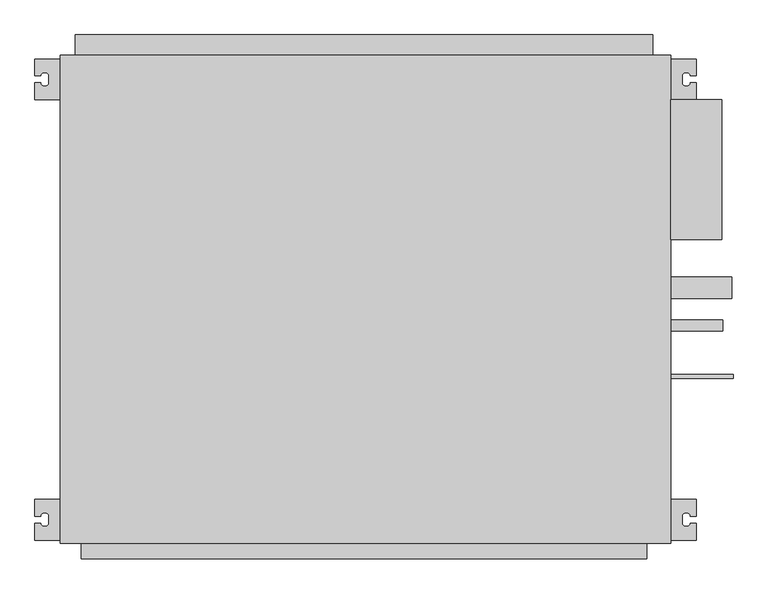
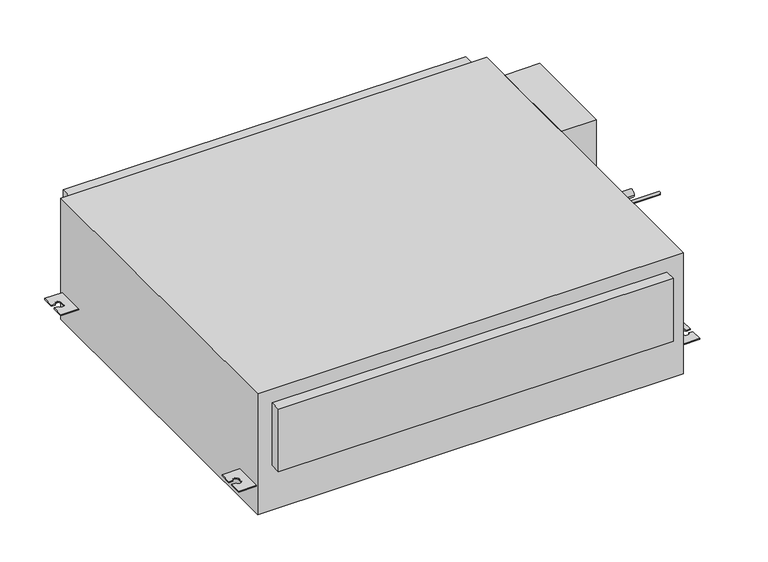
"""IFC4 building model written with IfcOpenShell, lengths in millimetres: proxy geometry."""

from ifc_helpers import new_model, si_unit, point, frame, frame_2d, origin, origin_with_axes, place, context, project, spatial, polyline, circle_curve, trimmed, segment, composite_curve, outline, extrude, source, transform, mapped, element, save


def mechanical_equipment_3e8ae938(model_context):
    return source(origin(), model_context, "Body", "SweptSolid", [
        extrude(outline(polyline([(450.0, -65.5), (525.0, -65.5), (525.0, -272.3), (450.0, -272.3), (450.0, -65.5)])), origin_with_axes(), (0.0, 0.0, 1.0), 270.0),
        extrude(outline(composite_curve([segment(trimmed(circle_curve(frame_2d((-343.0, 22.0)), 16.0), [point((-359.0, 22.0))], [point((-327.0, 22.0))], False, "CARTESIAN"), True, "CONTINUOUS"), segment(trimmed(circle_curve(frame_2d((-343.0, 22.0)), 16.0), [point((-327.0, 22.0))], [point((-359.0, 22.0))], False, "CARTESIAN"), True, "CONTINUOUS")], self_intersect=False)), frame((450.0, 0.0, 0.0), z_axis=(1.0, 0.0, 0.0), x_axis=(0.0, 1.0, 0.0)), (0.0, 0.0, 1.0), 90.0),
        extrude(outline(composite_curve([segment(trimmed(circle_curve(frame_2d((-399.0, 182.0)), 7.94), [point((-406.94, 182.0))], [point((-391.06, 182.0))], False, "CARTESIAN"), True, "CONTINUOUS"), segment(trimmed(circle_curve(frame_2d((-399.0, 182.0)), 7.94), [point((-391.06, 182.0))], [point((-406.94, 182.0))], False, "CARTESIAN"), True, "CONTINUOUS")], self_intersect=False)), frame((450.0, 0.0, 0.0), z_axis=(1.0, 0.0, 0.0), x_axis=(0.0, 1.0, 0.0)), (0.0, 0.0, 1.0), 77.0),
        extrude(outline(composite_curve([segment(trimmed(circle_curve(frame_2d((-474.0, 222.0)), 3.175), [point((-477.175, 222.0))], [point((-470.825, 222.0))], False, "CARTESIAN"), True, "CONTINUOUS"), segment(trimmed(circle_curve(frame_2d((-474.0, 222.0)), 3.175), [point((-470.825, 222.0))], [point((-477.175, 222.0))], False, "CARTESIAN"), True, "CONTINUOUS")], self_intersect=False)), frame((450.0, 0.0, 0.0), z_axis=(1.0, 0.0, 0.0), x_axis=(0.0, 1.0, 0.0)), (0.0, 0.0, 1.0), 92.0),
        extrude(outline(composite_curve([segment(polyline([(-450.0, -5.5), (-450.0, -65.5), (-487.5, -65.5), (-487.5, -40.5), (-479.0, -40.5)]), True, "CONTINUOUS"), segment(trimmed(circle_curve(frame_2d((-474.0, -40.5)), 5.0), [point((-479.0, -40.5))], [point((-474.0, -45.5))], True, "CARTESIAN"), True, "CONTINUOUS"), segment(polyline([(-474.0, -45.5), (-472.0, -45.5)]), True, "CONTINUOUS"), segment(trimmed(circle_curve(frame_2d((-472.0, -40.5)), 5.0), [point((-472.0, -45.5))], [point((-467.0, -40.5))], True, "CARTESIAN"), True, "CONTINUOUS"), segment(polyline([(-467.0, -40.5), (-467.0, -30.5)]), True, "CONTINUOUS"), segment(trimmed(circle_curve(frame_2d((-472.0, -30.5)), 5.0), [point((-467.0, -30.5))], [point((-472.0, -25.5))], True, "CARTESIAN"), True, "CONTINUOUS"), segment(polyline([(-472.0, -25.5), (-474.0, -25.5)]), True, "CONTINUOUS"), segment(trimmed(circle_curve(frame_2d((-474.0, -30.5)), 5.0), [point((-474.0, -25.5))], [point((-479.0, -30.5))], True, "CARTESIAN"), True, "CONTINUOUS"), segment(polyline([(-479.0, -30.5), (-487.5, -30.5), (-487.5, -5.5), (-450.0, -5.5)]), True, "CONTINUOUS")], self_intersect=False)), frame((0.0, 0.0, 60.5), z_axis=(0.0, 0.0, 1.0), x_axis=(1.0, 0.0, 0.0)), (0.0, 0.0, 1.0), 2.5),
        extrude(outline(composite_curve([segment(polyline([(-450.0, -655.5), (-450.0, -715.5), (-487.5, -715.5), (-487.5, -690.5), (-479.0, -690.5)]), True, "CONTINUOUS"), segment(trimmed(circle_curve(frame_2d((-474.0, -690.5)), 5.0), [point((-479.0, -690.5))], [point((-474.0, -695.5))], True, "CARTESIAN"), True, "CONTINUOUS"), segment(polyline([(-474.0, -695.5), (-472.0, -695.5)]), True, "CONTINUOUS"), segment(trimmed(circle_curve(frame_2d((-472.0, -690.5)), 5.0), [point((-472.0, -695.5))], [point((-467.0, -690.5))], True, "CARTESIAN"), True, "CONTINUOUS"), segment(polyline([(-467.0, -690.5), (-467.0, -680.5)]), True, "CONTINUOUS"), segment(trimmed(circle_curve(frame_2d((-472.0, -680.5)), 5.0), [point((-467.0, -680.5))], [point((-472.0, -675.5))], True, "CARTESIAN"), True, "CONTINUOUS"), segment(polyline([(-472.0, -675.5), (-474.0, -675.5)]), True, "CONTINUOUS"), segment(trimmed(circle_curve(frame_2d((-474.0, -680.5)), 5.0), [point((-474.0, -675.5))], [point((-479.0, -680.5))], True, "CARTESIAN"), True, "CONTINUOUS"), segment(polyline([(-479.0, -680.5), (-487.5, -680.5), (-487.5, -655.5), (-450.0, -655.5)]), True, "CONTINUOUS")], self_intersect=False)), frame((0.0, 0.0, 60.5), z_axis=(0.0, 0.0, 1.0), x_axis=(1.0, 0.0, 0.0)), (0.0, 0.0, 1.0), 2.5),
        extrude(outline(composite_curve([segment(polyline([(450.0, -5.5), (487.5, -5.5), (487.5, -30.5), (479.0, -30.5)]), True, "CONTINUOUS"), segment(trimmed(circle_curve(frame_2d((474.0, -30.5)), 5.0), [point((479.0, -30.5))], [point((474.0, -25.5))], True, "CARTESIAN"), True, "CONTINUOUS"), segment(polyline([(474.0, -25.5), (472.0, -25.5)]), True, "CONTINUOUS"), segment(trimmed(circle_curve(frame_2d((472.0, -30.5)), 5.0), [point((472.0, -25.5))], [point((467.0, -30.5))], True, "CARTESIAN"), True, "CONTINUOUS"), segment(polyline([(467.0, -30.5), (467.0, -40.5)]), True, "CONTINUOUS"), segment(trimmed(circle_curve(frame_2d((472.0, -40.5)), 5.0), [point((467.0, -40.5))], [point((472.0, -45.5))], True, "CARTESIAN"), True, "CONTINUOUS"), segment(polyline([(472.0, -45.5), (474.0, -45.5)]), True, "CONTINUOUS"), segment(trimmed(circle_curve(frame_2d((474.0, -40.5)), 5.0), [point((474.0, -45.5))], [point((479.0, -40.5))], True, "CARTESIAN"), True, "CONTINUOUS"), segment(polyline([(479.0, -40.5), (487.5, -40.5), (487.5, -65.5), (450.0, -65.5), (450.0, -5.5)]), True, "CONTINUOUS")], self_intersect=False)), frame((0.0, 0.0, 60.5), z_axis=(0.0, 0.0, 1.0), x_axis=(1.0, 0.0, 0.0)), (0.0, 0.0, 1.0), 2.5),
        extrude(outline(composite_curve([segment(polyline([(450.0, -655.5), (487.5, -655.5), (487.5, -680.5), (479.0, -680.5)]), True, "CONTINUOUS"), segment(trimmed(circle_curve(frame_2d((474.0, -680.5)), 5.0), [point((479.0, -680.5))], [point((474.0, -675.5))], True, "CARTESIAN"), True, "CONTINUOUS"), segment(polyline([(474.0, -675.5), (472.0, -675.5)]), True, "CONTINUOUS"), segment(trimmed(circle_curve(frame_2d((472.0, -680.5)), 5.0), [point((472.0, -675.5))], [point((467.0, -680.5))], True, "CARTESIAN"), True, "CONTINUOUS"), segment(polyline([(467.0, -680.5), (467.0, -690.5)]), True, "CONTINUOUS"), segment(trimmed(circle_curve(frame_2d((472.0, -690.5)), 5.0), [point((467.0, -690.5))], [point((472.0, -695.5))], True, "CARTESIAN"), True, "CONTINUOUS"), segment(polyline([(472.0, -695.5), (474.0, -695.5)]), True, "CONTINUOUS"), segment(trimmed(circle_curve(frame_2d((474.0, -690.5)), 5.0), [point((474.0, -695.5))], [point((479.0, -690.5))], True, "CARTESIAN"), True, "CONTINUOUS"), segment(polyline([(479.0, -690.5), (487.5, -690.5), (487.5, -715.5), (450.0, -715.5), (450.0, -655.5)]), True, "CONTINUOUS")], self_intersect=False)), frame((0.0, 0.0, 60.5), z_axis=(0.0, 0.0, 1.0), x_axis=(1.0, 0.0, 0.0)), (0.0, 0.0, 1.0), 2.5),
        extrude(outline(polyline([(423.2, 30.0), (423.2, 0.0), (-427.8, 0.0), (-427.8, 30.0), (423.2, 30.0)])), frame((0.0, 0.0, 22.8), z_axis=(0.0, 0.0, 1.0), x_axis=(1.0, 0.0, 0.0)), (0.0, 0.0, 1.0), 240.2),
        extrude(outline(polyline([(415.0, -720.0), (415.0, -743.0), (-419.0, -743.0), (-419.0, -720.0), (415.0, -720.0)])), frame((0.0, 0.0, 99.0), z_axis=(0.0, 0.0, 1.0), x_axis=(1.0, 0.0, 0.0)), (0.0, 0.0, 1.0), 140.0),
        extrude(outline(polyline([(450.0, -720.0), (-450.0, -720.0), (-450.0, 0.0), (450.0, 0.0), (450.0, -720.0)])), origin_with_axes(), (0.0, 0.0, 1.0), 270.0),
    ])


if __name__ == "__main__":
    model = new_model("IFC4")
    model_context = context("Model", 3, world=origin())
    ifc_project = project(units=[si_unit("LENGTHUNIT", "METRE", prefix="MILLI")], contexts=[model_context])
    site = spatial("IfcSite", under=ifc_project)
    building = spatial("IfcBuilding", under=site)
    placement = place(None, origin())
    mechanical_equipment_shape = mechanical_equipment_3e8ae938(model_context)
    element("IfcBuildingElementProxy", 1, Name="Mechanical Equipment", at=placement, inside=building, context=model_context, shape_type="MappedRepresentation", body=[
        mapped(mechanical_equipment_shape, transform((0.0, 0.0, 0.0), x_axis=(1.0, 0.0, 0.0), y_axis=(0.0, 1.0, 0.0), z_axis=(0.0, 0.0, 1.0))),
    ])
    save(model, "model.ifc")
